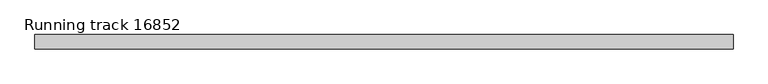
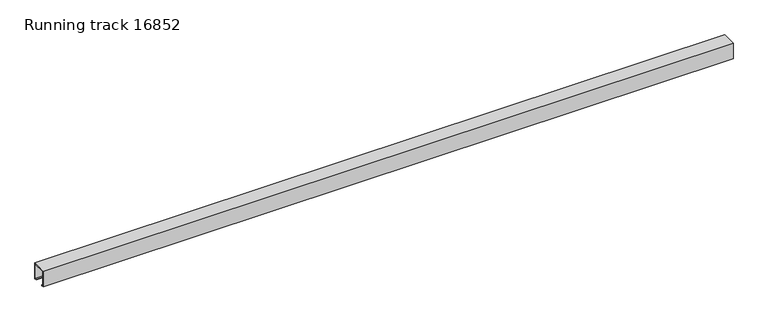
"""IFC4 building model written with IfcOpenShell, lengths in millimetres: proxy geometry, Running track 16852."""

from ifc_helpers import new_model, si_unit, frame, origin, place, context, project, spatial, polyline, outline, extrude, source, transform, mapped, element, save


def running_track_16852_1e737698(model_context):
    return source(origin(), model_context, "Body", "SweptSolid", [
        extrude(outline(polyline([(25.0, 0.0), (17.0, 0.0), (17.0, 3.0), (21.9166556, 3.0), (21.9166556, 55.0), (-22.0, 55.0), (-22.0, 3.0), (-17.0, 3.0), (-17.0, 0.0), (-25.0, 0.0), (-25.0, 58.0), (25.0, 58.0), (25.0, 0.0)])), frame((0.0, 0.0, 0.0), z_axis=(1.0, 0.0, 0.0), x_axis=(0.0, 1.0, 0.0)), (0.0, 0.0, 1.0), 2400.0),
    ])


if __name__ == "__main__":
    model = new_model("IFC4")
    model_context = context("Model", 3, world=origin())
    ifc_project = project(units=[si_unit("LENGTHUNIT", "METRE", prefix="MILLI")], contexts=[model_context])
    site = spatial("IfcSite", under=ifc_project)
    building = spatial("IfcBuilding", under=site)
    placement = place(None, origin())
    running_track_16852_shape = running_track_16852_1e737698(model_context)
    element("IfcBuildingElementProxy", 1, Name="Running track 16852", ObjectType="Running track 16852", at=placement, inside=building, context=model_context, shape_type="MappedRepresentation", body=[
        mapped(running_track_16852_shape, transform((0.0, 0.0, 0.0), x_axis=(1.0, 0.0, 0.0), y_axis=(0.0, 1.0, 0.0), z_axis=(0.0, 0.0, 1.0))),
    ])
    save(model, "model.ifc")
